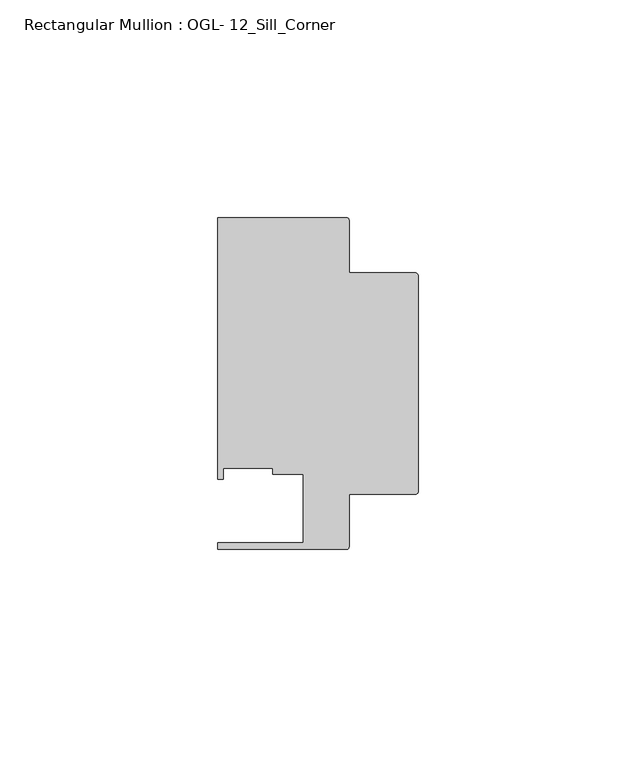
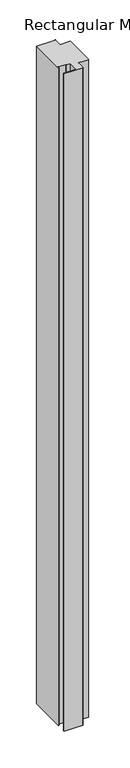
"""IFC4 building model written with IfcOpenShell, lengths in millimetres: member geometry, Rectangular Mullion : OGL- 12_Sill_Corner."""

from ifc_helpers import new_model, si_unit, point, frame, frame_2d, origin, place, context, project, spatial, polyline, circle_curve, trimmed, segment, composite_curve, outline, extrude, source, transform, mapped, element, save


def rectangular_mullion_ogl_12_sill_corner_6e32e412(model_context):
    return source(origin(), model_context, "Body", "SweptSolid", [
        extrude(outline(composite_curve([segment(trimmed(circle_curve(frame_2d((-0.5953125, 54.9671875)), 0.5953125), [point((-0.5953125, 55.5625))], [point((0.0, 54.9671875))], False, "CARTESIAN"), True, "CONTINUOUS"), segment(polyline([(0.0, 54.9671875), (0.0, 5.3578125)]), True, "CONTINUOUS"), segment(trimmed(circle_curve(frame_2d((-0.5953125, 5.3578125)), 0.5953125), [point((0.0, 5.3578125))], [point((-0.5953125, 4.7625))], False, "CARTESIAN"), True, "CONTINUOUS"), segment(polyline([(-0.5953125, 4.7625), (-15.8750672, 4.7625), (-15.8750672, -7.3422035)]), True, "CONTINUOUS"), segment(trimmed(circle_curve(frame_2d((-16.4703797, -7.3422035)), 0.5953125), [point((-15.8750672, -7.3422035))], [point((-16.4703797, -7.937516))], False, "CARTESIAN"), True, "CONTINUOUS"), segment(polyline([(-16.4703797, -7.937516), (-46.0248655, -7.937516), (-46.0248655, -6.350016), (-26.3720794, -6.350016), (-26.3720794, 9.3367652), (-33.3985545, 9.3367652), (-33.3985545, 10.6800725), (-44.7780305, 10.6800725), (-44.7780305, 8.1914024), (-46.0339598, 8.1914024), (-46.0339598, 68.2621792), (-16.4703797, 68.2621792)]), True, "CONTINUOUS"), segment(trimmed(circle_curve(frame_2d((-16.4703797, 67.6668667)), 0.5953125), [point((-16.4703797, 68.2621792))], [point((-15.8750672, 67.6668667))], False, "CARTESIAN"), True, "CONTINUOUS"), segment(polyline([(-15.8750672, 67.6668667), (-15.8750672, 55.5625), (-0.5953125, 55.5625)]), True, "CONTINUOUS")], self_intersect=False)), frame((0.0, 0.0, -1097.3189138), z_axis=(0.0, 0.0, 1.0), x_axis=(1.0, 0.0, 0.0)), (0.0, 0.0, 1.0), 1097.3189138),
    ])


if __name__ == "__main__":
    model = new_model("IFC4")
    model_context = context("Model", 3, world=origin())
    ifc_project = project(units=[si_unit("LENGTHUNIT", "METRE", prefix="MILLI")], contexts=[model_context])
    site = spatial("IfcSite", under=ifc_project)
    building = spatial("IfcBuilding", under=site)
    placement = place(None, origin())
    rectangular_mullion_ogl_12_sill_corner_shape = rectangular_mullion_ogl_12_sill_corner_6e32e412(model_context)
    element("IfcMember", 1, ObjectType="Rectangular Mullion : OGL- 12_Sill_Corner", at=placement, inside=building, context=model_context, shape_type="MappedRepresentation", body=[
        mapped(rectangular_mullion_ogl_12_sill_corner_shape, transform((0.0, 0.0, 0.0), x_axis=(1.0, 0.0, 0.0), y_axis=(0.0, 1.0, 0.0), z_axis=(0.0, 0.0, 1.0))),
    ])
    save(model, "model.ifc")
